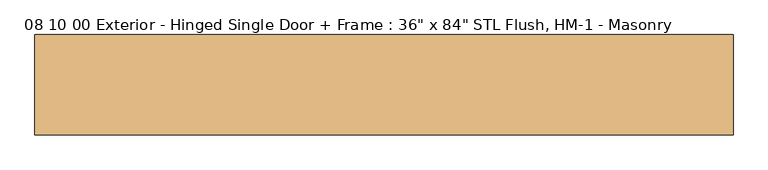
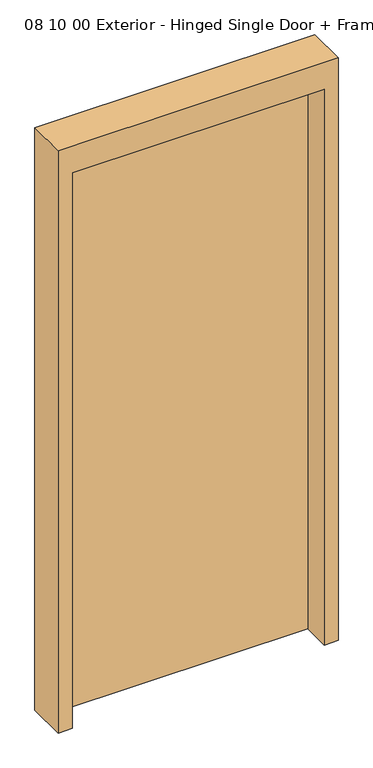
"""IFC4 building model written with IfcOpenShell, lengths in millimetres: door geometry."""

import ifcopenshell
import ifcopenshell.guid

model = None  # the IFC model being written
_history = None  # IfcOwnerHistory: only IFC2X3 demands one
_inside = {}  # id of a spatial element -> (the spatial element, [elements in it])
_under = {}  # id of a project, library or spatial element -> (it, [spatial elements below it])
_declared = {}  # id of a project -> (the project, [libraries it declares])
_typed = {}  # id of a type object -> (the type object, [elements of that type])
_made_of = {}  # id of a material, layer set ... -> (it, [elements and type objects made of it])


def new_model(schema):
    """Start an empty IFC model of exactly this schema.

    Asked for "IFC4X3", IfcOpenShell would pick the latest addendum, in which some entities
    have other attributes; the version numbers below select the first issue.
    IFC2X3 requires an IfcOwnerHistory on every rooted entity: one is made here for all.
    """
    global model, _history
    if schema == "IFC4X3":
        model = ifcopenshell.file(schema_version=(4, 3, 0, 0))
    else:
        model = ifcopenshell.file(schema=schema)
    _inside.clear()
    _under.clear()
    _declared.clear()
    _typed.clear()
    _made_of.clear()
    _history = None
    if model.schema == "IFC2X3":
        org = make("IfcOrganization", Name="unknown")
        user = make(
            "IfcPersonAndOrganization",
            ThePerson=make("IfcPerson", FamilyName="unknown"),
            TheOrganization=org,
        )
        app = make(
            "IfcApplication",
            ApplicationDeveloper=org,
            Version="unknown",
            ApplicationFullName="unknown",
            ApplicationIdentifier="unknown",
        )
        _history = make(
            "IfcOwnerHistory",
            OwningUser=user,
            OwningApplication=app,
            ChangeAction="ADDED",
            CreationDate=0,
        )
    return model


def make(cls, **values):
    """One entity of the class cls with the attributes given. An attribute that is None is left unset."""
    return model.create_entity(
        cls, **{name: value for name, value in values.items() if value is not None}
    )


def rooted(cls, **values):
    """An entity with a GlobalId (a new one), such as an element, a storey or a relation."""
    return make(cls, GlobalId=ifcopenshell.guid.new(), OwnerHistory=_history, **values)


def si_unit(unit_type, name, prefix=None):
    """IfcSIUnit, for example si_unit("LENGTHUNIT", "METRE", prefix="MILLI")."""
    return make("IfcSIUnit", UnitType=unit_type, Prefix=prefix, Name=name)


def assignment(units):
    """IfcUnitAssignment: the units of a project."""
    return None if units is None else make("IfcUnitAssignment", Units=units)


def point(xyz):
    """IfcCartesianPoint."""
    return None if xyz is None else make("IfcCartesianPoint", Coordinates=xyz)


def direction(xyz):
    """IfcDirection."""
    return None if xyz is None else make("IfcDirection", DirectionRatios=xyz)


def frame(location, z_axis=None, x_axis=None):
    """IfcAxis2Placement3D, a coordinate frame: its origin and axes. An axis left out is left unset."""
    return make(
        "IfcAxis2Placement3D",
        Location=point(location),
        Axis=direction(z_axis),
        RefDirection=direction(x_axis),
    )


def origin():
    """The frame at (0, 0, 0) with its axes left unset."""
    return frame((0.0, 0.0, 0.0))


def origin_with_axes():
    """The frame at (0, 0, 0) with the z axis (0, 0, 1) and the x axis (1, 0, 0) written out."""
    return frame((0.0, 0.0, 0.0), z_axis=(0.0, 0.0, 1.0), x_axis=(1.0, 0.0, 0.0))


def place(relative_to, where):
    """IfcLocalPlacement: puts the frame where relative to a parent placement (None: the world)."""
    return make(
        "IfcLocalPlacement", PlacementRelTo=relative_to, RelativePlacement=where
    )


def context(
    kind, dimensions, precision=None, world=None, true_north=None, identifier=None
):
    """IfcGeometricRepresentationContext, for example the 3D "Model" context."""
    return make(
        "IfcGeometricRepresentationContext",
        ContextIdentifier=identifier,
        ContextType=kind,
        CoordinateSpaceDimension=dimensions,
        Precision=precision,
        WorldCoordinateSystem=world,
        TrueNorth=true_north,
    )


def project(units=None, contexts=None):
    """IfcProject with its units and contexts."""
    return rooted(
        "IfcProject",
        Name="project",
        RepresentationContexts=contexts,
        UnitsInContext=assignment(units),
    )


def spatial(cls, under=None, at=None, **own):
    """A site, building, storey or space (cls), placed at a placement, below another one or the project."""
    s = rooted(cls, ObjectPlacement=at, **own)
    if under is not None:
        _under.setdefault(under.id(), (under, []))[1].append(s)
    return s


def polyline(points):
    """IfcPolyline through the points."""
    return make("IfcPolyline", Points=[point(p) for p in points])


def outline(outer, holes=None, kind="AREA"):
    """IfcArbitraryClosedProfileDef: a profile drawn as a closed curve; with holes, ...WithVoids."""
    if holes is None:
        return make("IfcArbitraryClosedProfileDef", ProfileType=kind, OuterCurve=outer)
    return make(
        "IfcArbitraryProfileDefWithVoids",
        ProfileType=kind,
        OuterCurve=outer,
        InnerCurves=holes,
    )


def extrude(swept, where, along, depth):
    """IfcExtrudedAreaSolid: the profile swept, set in the frame where, extruded along a direction by depth."""
    return make(
        "IfcExtrudedAreaSolid",
        SweptArea=swept,
        Position=where,
        ExtrudedDirection=direction(along),
        Depth=depth,
    )


def shape(context_of_items, identifier, shape_type, items):
    """IfcShapeRepresentation: the items that make up one representation, for example the "Body"."""
    return make(
        "IfcShapeRepresentation",
        ContextOfItems=context_of_items,
        RepresentationIdentifier=identifier,
        RepresentationType=shape_type,
        Items=items,
    )


def source(mapping_origin, context_of_items, identifier, shape_type, items):
    """IfcRepresentationMap: a shape defined once, which mapped items show again and again."""
    return make(
        "IfcRepresentationMap",
        MappingOrigin=mapping_origin,
        MappedRepresentation=shape(context_of_items, identifier, shape_type, items),
    )


def transform(
    local_origin,
    x_axis=None,
    y_axis=None,
    z_axis=None,
    scale=None,
    scale2=None,
    scale3=None,
    uniform=True,
):
    """IfcCartesianTransformationOperator3D, or its non-uniform kind. x_axis, y_axis, z_axis: its Axis1, 2, 3."""
    if uniform:
        return make(
            "IfcCartesianTransformationOperator3D",
            Axis1=direction(x_axis),
            Axis2=direction(y_axis),
            LocalOrigin=point(local_origin),
            Scale=scale,
            Axis3=direction(z_axis),
        )
    return make(
        "IfcCartesianTransformationOperator3DnonUniform",
        Axis1=direction(x_axis),
        Axis2=direction(y_axis),
        LocalOrigin=point(local_origin),
        Scale=scale,
        Axis3=direction(z_axis),
        Scale2=scale2,
        Scale3=scale3,
    )


def mapped(mapping_source, mapping_target):
    """IfcMappedItem: shows the shape of a source again, moved by a transform."""
    return make(
        "IfcMappedItem", MappingSource=mapping_source, MappingTarget=mapping_target
    )


def made_of(thing, what):
    """Note that an element or type object is made of a material, layer set ...; save() writes the relation."""
    if what is not None:
        _made_of.setdefault(what.id(), (what, []))[1].append(thing)
    return thing


def element(
    cls,
    number,
    at=None,
    inside=None,
    cuts=None,
    type_object=None,
    material=None,
    context=None,
    identifier="Body",
    shape_type=None,
    held_by="IfcProductDefinitionShape",
    body=None,
    shapes=None,
    **own,
):
    """One element of the class cls, such as IfcWall. Its Tag is "e" and its number.

    at: its placement. inside: the storey or other place that contains it. cuts: it is an
    opening in that element (IfcRelVoidsElement). A single representation is given by context,
    identifier, shape_type and body (its items); several are given by shapes. held_by: the class
    of the entity that holds the representations. save() writes the other relations.
    """
    e = rooted(cls, Tag="e%d" % number, ObjectPlacement=at, **own)
    if body is not None:
        shapes = [shape(context, identifier, shape_type, body)]
    if shapes is not None:
        e.Representation = make(held_by, Representations=shapes)
    if inside is not None:
        _inside.setdefault(inside.id(), (inside, []))[1].append(e)
    if cuts is not None:
        rooted(
            "IfcRelVoidsElement", RelatingBuildingElement=cuts, RelatedOpeningElement=e
        )
    if type_object is not None:
        _typed.setdefault(type_object.id(), (type_object, []))[1].append(e)
    return made_of(e, material)


def aggregate(whole, parts):
    """IfcRelAggregates: a whole, such as a stair, and the parts it consists of."""
    return rooted("IfcRelAggregates", RelatingObject=whole, RelatedObjects=parts)


def save(model, path):
    """Write the relations noted so far, then the file.

    IfcRelAggregates (storeys below a building ...), IfcRelContainedInSpatialStructure (elements
    in a storey), IfcRelDefinesByType, IfcRelAssociatesMaterial and IfcRelDeclares: one each for
    every whole, place, type object, material and project.
    """
    for whole, parts in _under.values():
        aggregate(whole, parts)
    for where, things in _inside.values():
        rooted(
            "IfcRelContainedInSpatialStructure",
            RelatedElements=things,
            RelatingStructure=where,
        )
    for kind, things in _typed.values():
        rooted("IfcRelDefinesByType", RelatedObjects=things, RelatingType=kind)
    for what, things in _made_of.values():
        rooted("IfcRelAssociatesMaterial", RelatedObjects=things, RelatingMaterial=what)
    for by, libraries in _declared.values():
        rooted("IfcRelDeclares", RelatingContext=by, RelatedDefinitions=libraries)
    model.write(path)


def door_cc2b09b5(model_context):
    return source(origin(), model_context, "Body", "SweptSolid", [
        extrude(outline(polyline([(457.2, 95.25), (-457.2, 95.25), (-457.2, 139.7), (457.2, 139.7), (457.2, 95.25)])), origin_with_axes(), (0.0, 0.0, 1.0), 2133.6),
        extrude(outline(polyline([(0.0, -508.0), (0.0, -457.2), (2133.6, -457.2), (2133.6, 457.2), (0.0, 457.2), (0.0, 508.0), (2235.2, 508.0), (2235.2, -508.0), (0.0, -508.0)])), frame((0.0, -6.35, 0.0), z_axis=(0.0, 1.0, 0.0), x_axis=(0.0, 0.0, 1.0)), (0.0, 0.0, 1.0), 146.05),
    ])


if __name__ == "__main__":
    model = new_model("IFC4")
    model_context = context("Model", 3, world=origin())
    ifc_project = project(units=[si_unit("LENGTHUNIT", "METRE", prefix="MILLI")], contexts=[model_context])
    site = spatial("IfcSite", under=ifc_project)
    building = spatial("IfcBuilding", under=site)
    placement = place(None, origin())
    door_shape = door_cc2b09b5(model_context)
    element("IfcDoor", 1, ObjectType="08 10 00 Exterior - Hinged Single Door + Frame : 36\" x 84\" STL Flush, HM-1 - Masonry", at=placement, inside=building, context=model_context, shape_type="MappedRepresentation", body=[
        mapped(door_shape, transform((0.0, 0.0, 0.0), x_axis=(1.0, 0.0, 0.0), y_axis=(0.0, 1.0, 0.0), z_axis=(0.0, 0.0, 1.0))),
    ])
    save(model, "model.ifc")
